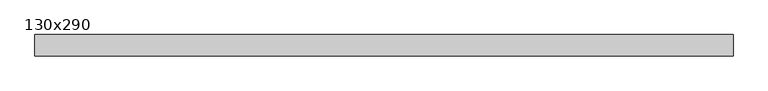
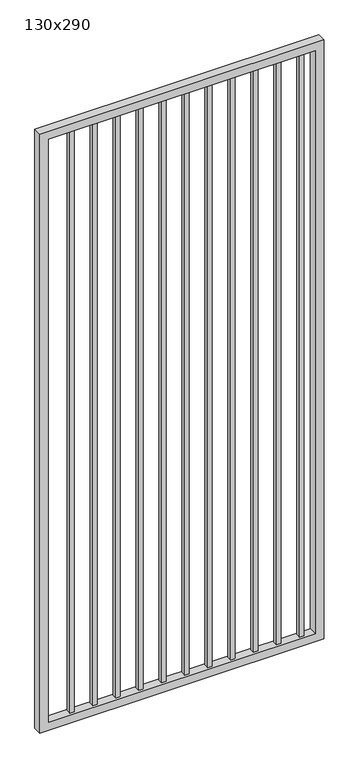
"""IFC4 building model written with IfcOpenShell, lengths in millimetres: proxy geometry, 130x290."""

import ifcopenshell
import ifcopenshell.guid

model = None  # the IFC model being written
_history = None  # IfcOwnerHistory: only IFC2X3 demands one
_inside = {}  # id of a spatial element -> (the spatial element, [elements in it])
_under = {}  # id of a project, library or spatial element -> (it, [spatial elements below it])
_declared = {}  # id of a project -> (the project, [libraries it declares])
_typed = {}  # id of a type object -> (the type object, [elements of that type])
_made_of = {}  # id of a material, layer set ... -> (it, [elements and type objects made of it])


def new_model(schema):
    """Start an empty IFC model of exactly this schema.

    Asked for "IFC4X3", IfcOpenShell would pick the latest addendum, in which some entities
    have other attributes; the version numbers below select the first issue.
    IFC2X3 requires an IfcOwnerHistory on every rooted entity: one is made here for all.
    """
    global model, _history
    if schema == "IFC4X3":
        model = ifcopenshell.file(schema_version=(4, 3, 0, 0))
    else:
        model = ifcopenshell.file(schema=schema)
    _inside.clear()
    _under.clear()
    _declared.clear()
    _typed.clear()
    _made_of.clear()
    _history = None
    if model.schema == "IFC2X3":
        org = make("IfcOrganization", Name="unknown")
        user = make(
            "IfcPersonAndOrganization",
            ThePerson=make("IfcPerson", FamilyName="unknown"),
            TheOrganization=org,
        )
        app = make(
            "IfcApplication",
            ApplicationDeveloper=org,
            Version="unknown",
            ApplicationFullName="unknown",
            ApplicationIdentifier="unknown",
        )
        _history = make(
            "IfcOwnerHistory",
            OwningUser=user,
            OwningApplication=app,
            ChangeAction="ADDED",
            CreationDate=0,
        )
    return model


def make(cls, **values):
    """One entity of the class cls with the attributes given. An attribute that is None is left unset."""
    return model.create_entity(
        cls, **{name: value for name, value in values.items() if value is not None}
    )


def rooted(cls, **values):
    """An entity with a GlobalId (a new one), such as an element, a storey or a relation."""
    return make(cls, GlobalId=ifcopenshell.guid.new(), OwnerHistory=_history, **values)


def si_unit(unit_type, name, prefix=None):
    """IfcSIUnit, for example si_unit("LENGTHUNIT", "METRE", prefix="MILLI")."""
    return make("IfcSIUnit", UnitType=unit_type, Prefix=prefix, Name=name)


def assignment(units):
    """IfcUnitAssignment: the units of a project."""
    return None if units is None else make("IfcUnitAssignment", Units=units)


def point(xyz):
    """IfcCartesianPoint."""
    return None if xyz is None else make("IfcCartesianPoint", Coordinates=xyz)


def direction(xyz):
    """IfcDirection."""
    return None if xyz is None else make("IfcDirection", DirectionRatios=xyz)


def frame(location, z_axis=None, x_axis=None):
    """IfcAxis2Placement3D, a coordinate frame: its origin and axes. An axis left out is left unset."""
    return make(
        "IfcAxis2Placement3D",
        Location=point(location),
        Axis=direction(z_axis),
        RefDirection=direction(x_axis),
    )


def origin():
    """The frame at (0, 0, 0) with its axes left unset."""
    return frame((0.0, 0.0, 0.0))


def place(relative_to, where):
    """IfcLocalPlacement: puts the frame where relative to a parent placement (None: the world)."""
    return make(
        "IfcLocalPlacement", PlacementRelTo=relative_to, RelativePlacement=where
    )


def context(
    kind, dimensions, precision=None, world=None, true_north=None, identifier=None
):
    """IfcGeometricRepresentationContext, for example the 3D "Model" context."""
    return make(
        "IfcGeometricRepresentationContext",
        ContextIdentifier=identifier,
        ContextType=kind,
        CoordinateSpaceDimension=dimensions,
        Precision=precision,
        WorldCoordinateSystem=world,
        TrueNorth=true_north,
    )


def project(units=None, contexts=None):
    """IfcProject with its units and contexts."""
    return rooted(
        "IfcProject",
        Name="project",
        RepresentationContexts=contexts,
        UnitsInContext=assignment(units),
    )


def spatial(cls, under=None, at=None, **own):
    """A site, building, storey or space (cls), placed at a placement, below another one or the project."""
    s = rooted(cls, ObjectPlacement=at, **own)
    if under is not None:
        _under.setdefault(under.id(), (under, []))[1].append(s)
    return s


def polyline(points):
    """IfcPolyline through the points."""
    return make("IfcPolyline", Points=[point(p) for p in points])


def outline(outer, holes=None, kind="AREA"):
    """IfcArbitraryClosedProfileDef: a profile drawn as a closed curve; with holes, ...WithVoids."""
    if holes is None:
        return make("IfcArbitraryClosedProfileDef", ProfileType=kind, OuterCurve=outer)
    return make(
        "IfcArbitraryProfileDefWithVoids",
        ProfileType=kind,
        OuterCurve=outer,
        InnerCurves=holes,
    )


def extrude(swept, where, along, depth):
    """IfcExtrudedAreaSolid: the profile swept, set in the frame where, extruded along a direction by depth."""
    return make(
        "IfcExtrudedAreaSolid",
        SweptArea=swept,
        Position=where,
        ExtrudedDirection=direction(along),
        Depth=depth,
    )


def shape(context_of_items, identifier, shape_type, items):
    """IfcShapeRepresentation: the items that make up one representation, for example the "Body"."""
    return make(
        "IfcShapeRepresentation",
        ContextOfItems=context_of_items,
        RepresentationIdentifier=identifier,
        RepresentationType=shape_type,
        Items=items,
    )


def source(mapping_origin, context_of_items, identifier, shape_type, items):
    """IfcRepresentationMap: a shape defined once, which mapped items show again and again."""
    return make(
        "IfcRepresentationMap",
        MappingOrigin=mapping_origin,
        MappedRepresentation=shape(context_of_items, identifier, shape_type, items),
    )


def transform(
    local_origin,
    x_axis=None,
    y_axis=None,
    z_axis=None,
    scale=None,
    scale2=None,
    scale3=None,
    uniform=True,
):
    """IfcCartesianTransformationOperator3D, or its non-uniform kind. x_axis, y_axis, z_axis: its Axis1, 2, 3."""
    if uniform:
        return make(
            "IfcCartesianTransformationOperator3D",
            Axis1=direction(x_axis),
            Axis2=direction(y_axis),
            LocalOrigin=point(local_origin),
            Scale=scale,
            Axis3=direction(z_axis),
        )
    return make(
        "IfcCartesianTransformationOperator3DnonUniform",
        Axis1=direction(x_axis),
        Axis2=direction(y_axis),
        LocalOrigin=point(local_origin),
        Scale=scale,
        Axis3=direction(z_axis),
        Scale2=scale2,
        Scale3=scale3,
    )


def mapped(mapping_source, mapping_target):
    """IfcMappedItem: shows the shape of a source again, moved by a transform."""
    return make(
        "IfcMappedItem", MappingSource=mapping_source, MappingTarget=mapping_target
    )


def made_of(thing, what):
    """Note that an element or type object is made of a material, layer set ...; save() writes the relation."""
    if what is not None:
        _made_of.setdefault(what.id(), (what, []))[1].append(thing)
    return thing


def element(
    cls,
    number,
    at=None,
    inside=None,
    cuts=None,
    type_object=None,
    material=None,
    context=None,
    identifier="Body",
    shape_type=None,
    held_by="IfcProductDefinitionShape",
    body=None,
    shapes=None,
    **own,
):
    """One element of the class cls, such as IfcWall. Its Tag is "e" and its number.

    at: its placement. inside: the storey or other place that contains it. cuts: it is an
    opening in that element (IfcRelVoidsElement). A single representation is given by context,
    identifier, shape_type and body (its items); several are given by shapes. held_by: the class
    of the entity that holds the representations. save() writes the other relations.
    """
    e = rooted(cls, Tag="e%d" % number, ObjectPlacement=at, **own)
    if body is not None:
        shapes = [shape(context, identifier, shape_type, body)]
    if shapes is not None:
        e.Representation = make(held_by, Representations=shapes)
    if inside is not None:
        _inside.setdefault(inside.id(), (inside, []))[1].append(e)
    if cuts is not None:
        rooted(
            "IfcRelVoidsElement", RelatingBuildingElement=cuts, RelatedOpeningElement=e
        )
    if type_object is not None:
        _typed.setdefault(type_object.id(), (type_object, []))[1].append(e)
    return made_of(e, material)


def aggregate(whole, parts):
    """IfcRelAggregates: a whole, such as a stair, and the parts it consists of."""
    return rooted("IfcRelAggregates", RelatingObject=whole, RelatedObjects=parts)


def save(model, path):
    """Write the relations noted so far, then the file.

    IfcRelAggregates (storeys below a building ...), IfcRelContainedInSpatialStructure (elements
    in a storey), IfcRelDefinesByType, IfcRelAssociatesMaterial and IfcRelDeclares: one each for
    every whole, place, type object, material and project.
    """
    for whole, parts in _under.values():
        aggregate(whole, parts)
    for where, things in _inside.values():
        rooted(
            "IfcRelContainedInSpatialStructure",
            RelatedElements=things,
            RelatingStructure=where,
        )
    for kind, things in _typed.values():
        rooted("IfcRelDefinesByType", RelatedObjects=things, RelatingType=kind)
    for what, things in _made_of.values():
        rooted("IfcRelAssociatesMaterial", RelatedObjects=things, RelatingMaterial=what)
    for by, libraries in _declared.values():
        rooted("IfcRelDeclares", RelatingContext=by, RelatedDefinitions=libraries)
    model.write(path)


def proxy_130x290_2bb210c1(model_context):
    return source(origin(), model_context, "Body", "SweptSolid", [
        extrude(outline(polyline([(1203.325, 9.525), (1203.325, -9.525), (1184.275, -9.525), (1184.275, 9.525), (1203.325, 9.525)])), frame((0.0, 0.0, 139.7), z_axis=(0.0, 0.0, 1.0), x_axis=(1.0, 0.0, 0.0)), (0.0, 0.0, 1.0), 2730.0),
        extrude(outline(polyline([(1101.725, 9.525), (1101.725, -9.525), (1082.675, -9.525), (1082.675, 9.525), (1101.725, 9.525)])), frame((0.0, 0.0, 139.7), z_axis=(0.0, 0.0, 1.0), x_axis=(1.0, 0.0, 0.0)), (0.0, 0.0, 1.0), 2730.0),
        extrude(outline(polyline([(1000.125, 9.525), (1000.125, -9.525), (981.075, -9.525), (981.075, 9.525), (1000.125, 9.525)])), frame((0.0, 0.0, 139.7), z_axis=(0.0, 0.0, 1.0), x_axis=(1.0, 0.0, 0.0)), (0.0, 0.0, 1.0), 2730.0),
        extrude(outline(polyline([(898.525, 9.525), (898.525, -9.525), (879.475, -9.525), (879.475, 9.525), (898.525, 9.525)])), frame((0.0, 0.0, 139.7), z_axis=(0.0, 0.0, 1.0), x_axis=(1.0, 0.0, 0.0)), (0.0, 0.0, 1.0), 2730.0),
        extrude(outline(polyline([(796.925, 9.525), (796.925, -9.525), (777.875, -9.525), (777.875, 9.525), (796.925, 9.525)])), frame((0.0, 0.0, 139.7), z_axis=(0.0, 0.0, 1.0), x_axis=(1.0, 0.0, 0.0)), (0.0, 0.0, 1.0), 2730.0),
        extrude(outline(polyline([(695.325, 9.525), (695.325, -9.525), (676.275, -9.525), (676.275, 9.525), (695.325, 9.525)])), frame((0.0, 0.0, 139.7), z_axis=(0.0, 0.0, 1.0), x_axis=(1.0, 0.0, 0.0)), (0.0, 0.0, 1.0), 2730.0),
        extrude(outline(polyline([(593.725, 9.525), (593.725, -9.525), (574.675, -9.525), (574.675, 9.525), (593.725, 9.525)])), frame((0.0, 0.0, 139.7), z_axis=(0.0, 0.0, 1.0), x_axis=(1.0, 0.0, 0.0)), (0.0, 0.0, 1.0), 2730.0),
        extrude(outline(polyline([(492.125, 9.525), (492.125, -9.525), (473.075, -9.525), (473.075, 9.525), (492.125, 9.525)])), frame((0.0, 0.0, 139.7), z_axis=(0.0, 0.0, 1.0), x_axis=(1.0, 0.0, 0.0)), (0.0, 0.0, 1.0), 2730.0),
        extrude(outline(polyline([(390.525, 9.525), (390.525, -9.525), (371.475, -9.525), (371.475, 9.525), (390.525, 9.525)])), frame((0.0, 0.0, 139.7), z_axis=(0.0, 0.0, 1.0), x_axis=(1.0, 0.0, 0.0)), (0.0, 0.0, 1.0), 2730.0),
        extrude(outline(polyline([(288.925, 9.525), (288.925, -9.525), (269.875, -9.525), (269.875, 9.525), (288.925, 9.525)])), frame((0.0, 0.0, 139.7), z_axis=(0.0, 0.0, 1.0), x_axis=(1.0, 0.0, 0.0)), (0.0, 0.0, 1.0), 2730.0),
        extrude(outline(polyline([(187.325, 9.525), (187.325, -9.525), (168.275, -9.525), (168.275, 9.525), (187.325, 9.525)])), frame((0.0, 0.0, 139.7), z_axis=(0.0, 0.0, 1.0), x_axis=(1.0, 0.0, 0.0)), (0.0, 0.0, 1.0), 2730.0),
        extrude(outline(polyline([(101.6, 1287.3), (2900.0, 1287.3), (2900.0, 30.0), (101.6, 30.0), (101.6, 1287.3)]), holes=[polyline([(2861.9, 1249.2), (139.7, 1249.2), (139.7, 68.1), (2861.9, 68.1), (2861.9, 1249.2)])]), frame((0.0, -19.05, 0.0), z_axis=(0.0, 1.0, 0.0), x_axis=(0.0, 0.0, 1.0)), (0.0, 0.0, 1.0), 38.1),
    ])


if __name__ == "__main__":
    model = new_model("IFC4")
    model_context = context("Model", 3, world=origin())
    ifc_project = project(units=[si_unit("LENGTHUNIT", "METRE", prefix="MILLI")], contexts=[model_context])
    site = spatial("IfcSite", under=ifc_project)
    building = spatial("IfcBuilding", under=site)
    placement = place(None, origin())
    proxy_130x290_shape = proxy_130x290_2bb210c1(model_context)
    element("IfcBuildingElementProxy", 1, Name="130x290", ObjectType="130x290", at=placement, inside=building, context=model_context, shape_type="MappedRepresentation", body=[
        mapped(proxy_130x290_shape, transform((0.0, 0.0, 0.0), x_axis=(1.0, 0.0, 0.0), y_axis=(0.0, 1.0, 0.0), z_axis=(0.0, 0.0, 1.0))),
    ])
    save(model, "model.ifc")
